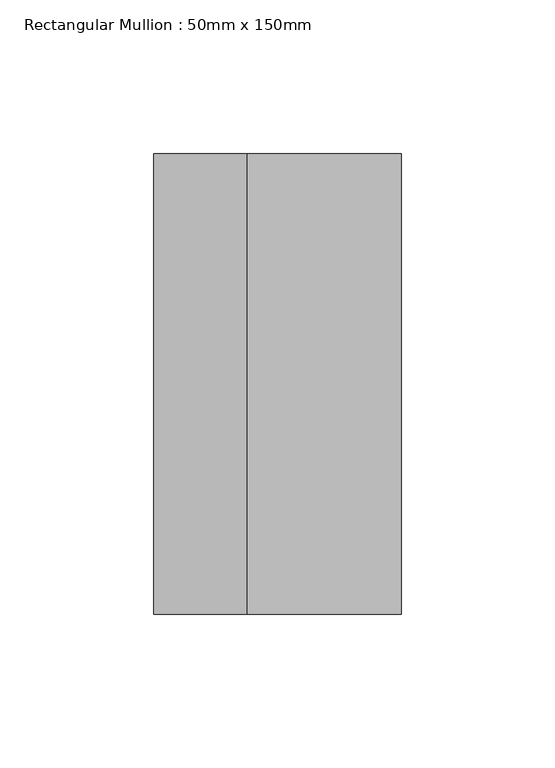
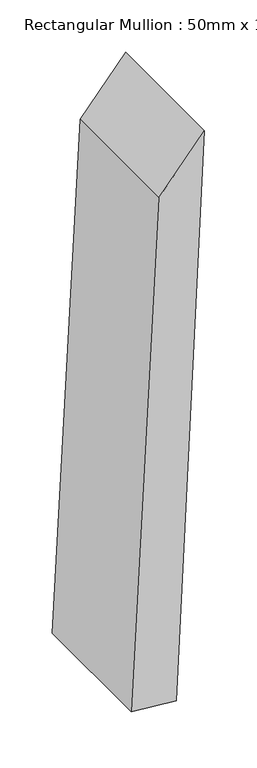
"""IFC4 building model written with IfcOpenShell, lengths in millimetres: member geometry, Rectangular Mullion : 50mm x 150mm."""

from ifc_helpers import new_model, si_unit, point, frame, frame_2d, origin, place, context, project, spatial, polyline, circle_curve, trimmed, segment, composite_curve, outline, extrude, source, transform, mapped, element, save


def rectangular_mullion_50mm_x_150mm_faad10d5(model_context):
    return source(origin(), model_context, "Body", "SweptSolid", [
        extrude(outline(composite_curve([segment(trimmed(circle_curve(frame_2d((0.0, -6914.0186607)), 6914.0186607), [point((-652.5991471, -30.8676095))], [point((0.0, 0.0))], False, "CARTESIAN"), True, "CONTINUOUS"), segment(polyline([(0.0, 0.0), (-60.3887473, -50.2656513)]), True, "CONTINUOUS"), segment(trimmed(circle_curve(frame_2d((0.0, -6914.0186607)), 6864.0186607), [point((-60.3887473, -50.2656513))], [point((-647.8797561, -80.6443847))], True, "CARTESIAN"), True, "CONTINUOUS"), segment(polyline([(-647.8797561, -80.6443847), (-652.5991471, -30.8676095)]), True, "CONTINUOUS")], self_intersect=False)), frame((0.0, -75.0, 0.0), z_axis=(0.0, 1.0, 0.0), x_axis=(0.0, 0.0, 1.0)), (0.0, 0.0, 1.0), 150.0),
    ])


if __name__ == "__main__":
    model = new_model("IFC4")
    model_context = context("Model", 3, world=origin())
    ifc_project = project(units=[si_unit("LENGTHUNIT", "METRE", prefix="MILLI")], contexts=[model_context])
    site = spatial("IfcSite", under=ifc_project)
    building = spatial("IfcBuilding", under=site)
    placement = place(None, origin())
    rectangular_mullion_50mm_x_150mm_shape = rectangular_mullion_50mm_x_150mm_faad10d5(model_context)
    element("IfcMember", 1, ObjectType="Rectangular Mullion : 50mm x 150mm", at=placement, inside=building, context=model_context, shape_type="MappedRepresentation", body=[
        mapped(rectangular_mullion_50mm_x_150mm_shape, transform((0.0, 0.0, 0.0), x_axis=(1.0, 0.0, 0.0), y_axis=(0.0, 1.0, 0.0), z_axis=(0.0, 0.0, 1.0))),
    ])
    save(model, "model.ifc")
